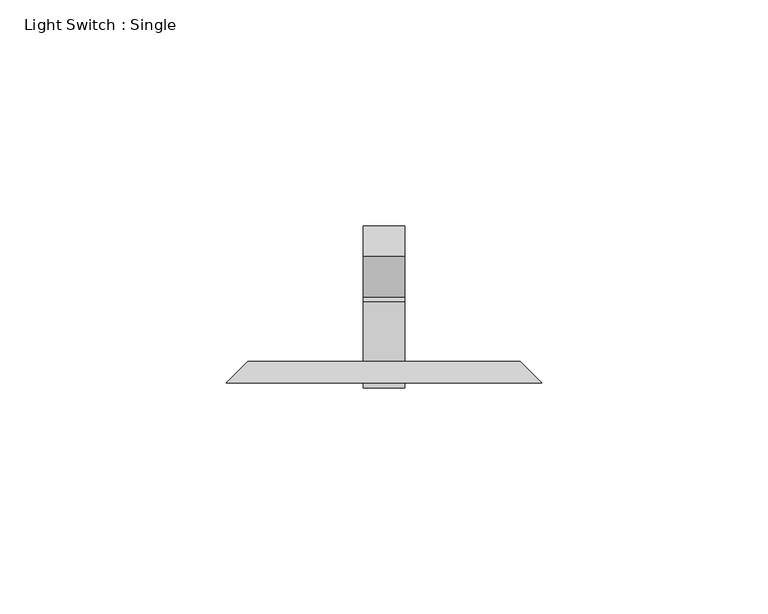
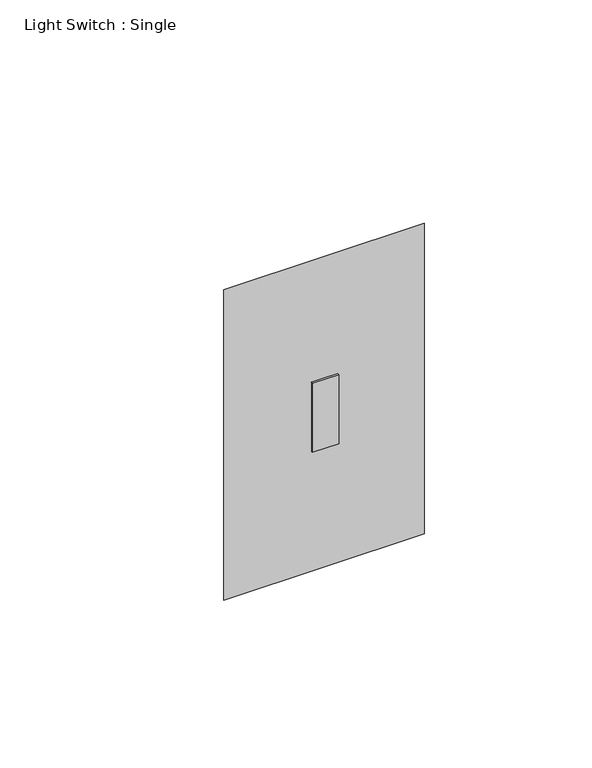
"""IFC4 building model written with IfcOpenShell, lengths in millimetres: proxy geometry, Light Switch : Single."""

from ifc_helpers import new_model, si_unit, frame, origin, place, context, project, spatial, polyline, outline, extrude, faceted_brep, source, transform, mapped, element, save


def light_switch_single_559c69e0(model_context):
    return source(origin(), model_context, "Body", "SolidModel", [
        faceted_brep([(-30.1625, 66.675, 357.1875), (30.1625, 66.675, 357.1875), (30.1625, 66.675, 252.4125), (-30.1625, 66.675, 252.4125), (-34.925, 61.9125, 361.95), (-34.925, 61.9125, 247.65), (34.925, 61.9125, 247.65), (34.925, 61.9125, 361.95)], [[[0, 1, 2, 3]], [[4, 5, 6, 7]], [[4, 7, 1, 0]], [[7, 6, 2, 1]], [[6, 5, 3, 2]], [[5, 4, 0, 3]]]),
        extrude(outline(polyline([(89.9427561, 325.4978515), (96.6779482, 318.7626595), (80.9625, 303.0472112), (80.9625, 294.247253), (79.7227829, 292.1), (60.8233809, 292.1), (60.8233809, 317.5), (79.9800954, 317.5), (80.9625, 316.5175954), (89.9427561, 325.4978515)])), frame((-4.6077278, 0.0, 0.0), z_axis=(1.0, 0.0, 0.0), x_axis=(0.0, 1.0, 0.0)), (0.0, 0.0, 1.0), 9.2225805),
    ])


if __name__ == "__main__":
    model = new_model("IFC4")
    model_context = context("Model", 3, world=origin())
    ifc_project = project(units=[si_unit("LENGTHUNIT", "METRE", prefix="MILLI")], contexts=[model_context])
    site = spatial("IfcSite", under=ifc_project)
    building = spatial("IfcBuilding", under=site)
    placement = place(None, origin())
    light_switch_single_shape = light_switch_single_559c69e0(model_context)
    element("IfcBuildingElementProxy", 1, Name="Light Switch : Single", ObjectType="Light Switch : Single", at=placement, inside=building, context=model_context, shape_type="MappedRepresentation", body=[
        mapped(light_switch_single_shape, transform((0.0, 0.0, 0.0), x_axis=(1.0, 0.0, 0.0), y_axis=(0.0, 1.0, 0.0), z_axis=(0.0, 0.0, 1.0))),
    ])
    save(model, "model.ifc")
